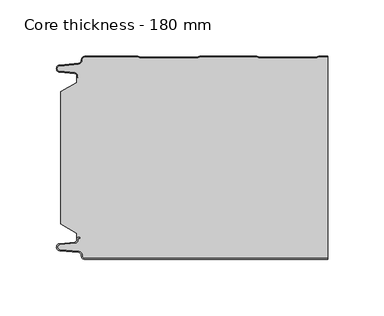
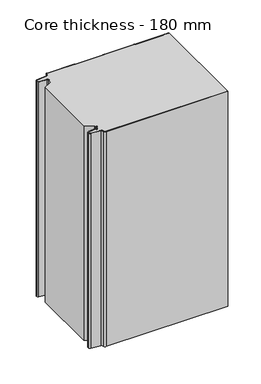
"""IFC4 building model written with IfcOpenShell, lengths in millimetres: plate geometry, Core thickness - 180 mm."""

from ifc_helpers import new_model, si_unit, frame, origin, place, context, project, spatial, polyline, circle_curve, source, transform, mapped, element, save
from ifc_brep_helpers import plane_surface, cylinder_surface, revolved_surface, advanced_brep


def core_thickness_180_mm_b9d3cbb0(model_context):
    return source(origin(), model_context, "Body", "AdvancedBrep", [
        advanced_brep(
        [(-94.8000003, -179.9996949, 0.0), (-97.9923632, -176.5787437, 0.0), (-100.2560431, -173.9171154, 0.0), (-117.2115315, -172.2546153, 0.0), (-119.9999998, -169.1776715, 0.0), (-117.2115315, -166.1007278, 0.0), (-103.6195785, -164.7680252, 0.0), (-101.9952277, -162.9766159, 0.0), (-101.9952277, -161.8996949, 0.0), (-100.5952277, -160.4996949, 0.0), (-99.4952277, -160.4996949, 0.0), (-99.4952277, -161.2996949, 0.0), (-100.5952277, -161.2996949, 0.0), (-101.1952277, -161.8996949, 0.0), (-101.1952277, -162.9766159, 0.0), (-103.5415122, -165.5642071, 0.0), (-117.1334652, -166.8969097, 0.0), (-119.1999997, -169.1776715, 0.0), (-117.1334652, -171.4584333, 0.0), (-100.1779767, -173.1209335, 0.0), (-97.2078761, -176.6330399, 0.0), (-94.8000003, -179.1996949, 0.0), (119.9999998, -179.2, 0.0), (119.9999998, -179.9996949, 0.0), (-94.8000003, -179.1996949, 400.0), (-97.1942724, -176.6339815, 400.0), (-100.1779767, -173.1209335, 400.0), (-117.1334652, -171.4584333, 400.0), (-119.1999997, -169.1776715, 400.0), (-117.1334652, -166.8969097, 400.0), (-103.5415122, -165.5642071, 400.0), (-101.1952277, -162.9766159, 400.0), (-101.1952277, -161.8996949, 400.0), (-100.5952277, -161.2996949, 400.0), (-99.4952277, -161.2996949, 400.0), (-99.4952277, -160.4996949, 400.0), (-100.5952277, -160.4996949, 400.0), (-101.9952277, -161.8996949, 400.0), (-101.9952277, -162.9766159, 400.0), (-103.6195785, -164.7680252, 400.0), (-117.2115315, -166.1007278, 400.0), (-119.9999998, -169.1776715, 400.0), (-117.2115315, -172.2546153, 400.0), (-100.2560431, -173.9171154, 400.0), (-98.0059668, -176.5778021, 400.0), (-94.8000003, -179.9996949, 400.0), (119.9999998, -179.9996949, 400.0), (119.9999998, -179.2, 400.0)],
        [
            (0, 1, circle_curve(frame((-94.8000003, -176.7996949, 0.0), z_axis=(0.0, 0.0, -1.0), x_axis=(1.0, 0.0, 0.0)), 3.2)),
            (1, 2, circle_curve(frame((-100.5000003, -176.4051839, 0.0), z_axis=(0.0, 0.0, 1.0), x_axis=(1.0, 0.0, 0.0)), 2.5)),
            (2, 3),
            (3, 4, circle_curve(frame((-116.9100003, -169.1793626, 0.0), z_axis=(0.0, 0.0, -1.0), x_axis=(1.0, 0.0, 0.0)), 3.09)),
            (4, 5, circle_curve(frame((-116.9100003, -169.1759805, 0.0), z_axis=(0.0, 0.0, -1.0), x_axis=(1.0, 0.0, 0.0)), 3.09)),
            (5, 6),
            (6, 7, circle_curve(frame((-103.7952277, -162.9766159, 0.0), z_axis=(0.0, 0.0, 1.0), x_axis=(1.0, 0.0, 0.0)), 1.8)),
            (7, 8),
            (8, 9, circle_curve(frame((-100.5952277, -161.8996949, 0.0), z_axis=(0.0, 0.0, -1.0), x_axis=(1.0, 0.0, 0.0)), 1.4)),
            (9, 10),
            (10, 11),
            (11, 12),
            (12, 13, circle_curve(frame((-100.5952277, -161.8996949, 0.0), z_axis=(0.0, 0.0, 1.0), x_axis=(1.0, 0.0, 0.0)), 0.6)),
            (13, 14),
            (14, 15, circle_curve(frame((-103.7952277, -162.9766159, 0.0), z_axis=(0.0, 0.0, -1.0), x_axis=(1.0, 0.0, 0.0)), 2.6)),
            (15, 16),
            (16, 17, circle_curve(frame((-116.9100003, -169.1759805, 0.0), z_axis=(0.0, 0.0, 1.0), x_axis=(1.0, 0.0, 0.0)), 2.29)),
            (17, 18, circle_curve(frame((-116.9100003, -169.1793626, 0.0), z_axis=(0.0, 0.0, 1.0), x_axis=(1.0, 0.0, 0.0)), 2.29)),
            (18, 19),
            (19, 20, circle_curve(frame((-100.5000003, -176.4051839, 0.0), z_axis=(0.0, 0.0, -1.0), x_axis=(1.0, 0.0, 0.0)), 3.3)),
            (20, 21, circle_curve(frame((-94.8000003, -176.7996949, 0.0), z_axis=(0.0, 0.0, 1.0), x_axis=(1.0, 0.0, 0.0)), 2.4)),
            (21, 22),
            (22, 23),
            (23, 0),
            (24, 25, circle_curve(frame((-94.8000003, -176.7996949, 400.0), z_axis=(0.0, 0.0, -1.0), x_axis=(1.0, 0.0, 0.0)), 2.4)),
            (25, 26, circle_curve(frame((-100.5000003, -176.4051839, 400.0), z_axis=(0.0, 0.0, 1.0), x_axis=(1.0, 0.0, 0.0)), 3.3)),
            (26, 27),
            (27, 28, circle_curve(frame((-116.9100003, -169.1793626, 400.0), z_axis=(0.0, 0.0, -1.0), x_axis=(1.0, 0.0, 0.0)), 2.29)),
            (28, 29, circle_curve(frame((-116.9100003, -169.1759805, 400.0), z_axis=(0.0, 0.0, -1.0), x_axis=(1.0, 0.0, 0.0)), 2.29)),
            (29, 30),
            (30, 31, circle_curve(frame((-103.7952277, -162.9766159, 400.0), z_axis=(0.0, 0.0, 1.0), x_axis=(1.0, 0.0, 0.0)), 2.6)),
            (31, 32),
            (32, 33, circle_curve(frame((-100.5952277, -161.8996949, 400.0), z_axis=(0.0, 0.0, -1.0), x_axis=(1.0, 0.0, 0.0)), 0.6)),
            (33, 34),
            (34, 35),
            (35, 36),
            (36, 37, circle_curve(frame((-100.5952277, -161.8996949, 400.0), z_axis=(0.0, 0.0, 1.0), x_axis=(1.0, 0.0, 0.0)), 1.4)),
            (37, 38),
            (38, 39, circle_curve(frame((-103.7952277, -162.9766159, 400.0), z_axis=(0.0, 0.0, -1.0), x_axis=(1.0, 0.0, 0.0)), 1.8)),
            (39, 40),
            (40, 41, circle_curve(frame((-116.9100003, -169.1759805, 400.0), z_axis=(0.0, 0.0, 1.0), x_axis=(1.0, 0.0, 0.0)), 3.09)),
            (41, 42, circle_curve(frame((-116.9100003, -169.1793626, 400.0), z_axis=(0.0, 0.0, 1.0), x_axis=(1.0, 0.0, 0.0)), 3.09)),
            (42, 43),
            (43, 44, circle_curve(frame((-100.5000003, -176.4051839, 400.0), z_axis=(0.0, 0.0, -1.0), x_axis=(1.0, 0.0, 0.0)), 2.5)),
            (44, 45, circle_curve(frame((-94.8000003, -176.7996949, 400.0), z_axis=(0.0, 0.0, 1.0), x_axis=(1.0, 0.0, 0.0)), 3.2)),
            (45, 46),
            (46, 47),
            (47, 24),
            (21, 24),
            (47, 22),
            (20, 25),
            (19, 26),
            (18, 27),
            (17, 28),
            (16, 29),
            (15, 30),
            (14, 31),
            (13, 32),
            (12, 33),
            (11, 34),
            (10, 35),
            (9, 36),
            (8, 37),
            (7, 38),
            (6, 39),
            (5, 40),
            (4, 41),
            (3, 42),
            (2, 43),
            (1, 44),
            (0, 45),
            (23, 46),
        ],
        [
            plane_surface(frame((-119.9999998, -180.0, 0.0), z_axis=(0.0, 0.0, -1.0), x_axis=(0.0, 1.0, 0.0))),
            plane_surface(frame((-119.9999998, -180.0, 400.0), z_axis=(0.0, 0.0, 1.0), x_axis=(0.0, 1.0, 0.0))),
            plane_surface(frame((-94.8000003, -179.2, 0.0), z_axis=(0.0, 1.0, 0.0), x_axis=(0.0, 0.0, 1.0))),
            revolved_surface(polyline([(-92.40000029999999, -176.7996949, 400.0), (-92.40000029999999, -176.7996949, 0.0)]), (-94.8000003, -176.7996949, 0.0), (0.0, 0.0, 1.0)),
            cylinder_surface(frame((-100.5000003, -176.4051839, 0.0), z_axis=(0.0, 0.0, -1.0), x_axis=(1.0, 0.0, 0.0)), 3.3),
            plane_surface(frame((-117.1334652, -171.4584333, 0.0), z_axis=(0.09758289975914758, 0.9952273999818314, 0.0), x_axis=(0.0, 0.0, 1.0))),
            revolved_surface(polyline([(-114.62000029999999, -169.1793626, 400.0), (-114.62000029999999, -169.1793626, 0.0)]), (-116.9100003, -169.1793626, 0.0), (0.0, 0.0, 1.0)),
            revolved_surface(polyline([(-114.62000029999999, -169.1759805, 400.0), (-114.62000029999999, -169.1759805, 0.0)]), (-116.9100003, -169.1759805, 0.0), (0.0, 0.0, 1.0)),
            plane_surface(frame((-103.5415122, -165.5642071, 0.0), z_axis=(0.09758289975914383, -0.9952273999818317, 0.0), x_axis=(0.0, 0.0, 1.0))),
            cylinder_surface(frame((-103.7952277, -162.9766159, 0.0), z_axis=(0.0, 0.0, -1.0), x_axis=(1.0, 0.0, 0.0)), 2.6),
            plane_surface(frame((-101.1952277, -161.8996949, 0.0), z_axis=(1.0, 0.0, 0.0), x_axis=(0.0, 0.0, 1.0))),
            revolved_surface(polyline([(-99.9952277, -161.8996949, 400.0), (-99.9952277, -161.8996949, 0.0)]), (-100.5952277, -161.8996949, 0.0), (0.0, 0.0, 1.0)),
            plane_surface(frame((-99.4952277, -161.2996949, 0.0), z_axis=(0.0, -1.0, 0.0), x_axis=(0.0, 0.0, 1.0))),
            plane_surface(frame((-99.4952277, -160.4996949, 0.0), z_axis=(1.0, 0.0, 0.0), x_axis=(0.0, 0.0, 1.0))),
            plane_surface(frame((-100.5952277, -160.4996949, 0.0), z_axis=(0.0, 1.0, 0.0), x_axis=(0.0, 0.0, 1.0))),
            cylinder_surface(frame((-100.5952277, -161.8996949, 0.0), z_axis=(0.0, 0.0, -1.0), x_axis=(1.0, 0.0, 0.0)), 1.4),
            plane_surface(frame((-101.9952277, -162.9766159, 0.0), z_axis=(-1.0, 0.0, 0.0), x_axis=(0.0, 0.0, 1.0))),
            revolved_surface(polyline([(-101.9952277, -162.9766159, 400.0), (-101.9952277, -162.9766159, 0.0)]), (-103.7952277, -162.9766159, 0.0), (0.0, 0.0, 1.0)),
            plane_surface(frame((-117.2115315, -166.1007278, 0.0), z_axis=(-0.09758289975914387, 0.9952273999818317, 0.0), x_axis=(0.0, 0.0, 1.0))),
            cylinder_surface(frame((-116.9100003, -169.1759805, 0.0), z_axis=(0.0, 0.0, -1.0), x_axis=(1.0, 0.0, 0.0)), 3.09),
            cylinder_surface(frame((-116.9100003, -169.1793626, 0.0), z_axis=(0.0, 0.0, -1.0), x_axis=(1.0, 0.0, 0.0)), 3.09),
            plane_surface(frame((-100.2560431, -173.9171154, 0.0), z_axis=(-0.09758289975914762, -0.9952273999818314, 0.0), x_axis=(0.0, 0.0, 1.0))),
            revolved_surface(polyline([(-98.0000003, -176.4051839, 400.0), (-98.0000003, -176.4051839, 0.0)]), (-100.5000003, -176.4051839, 0.0), (0.0, 0.0, 1.0)),
            cylinder_surface(frame((-94.8000003, -176.7996949, 0.0), z_axis=(0.0, 0.0, -1.0), x_axis=(1.0, 0.0, 0.0)), 3.2),
            plane_surface(frame((896.009932, -179.9996949, 0.0), z_axis=(0.0, -1.0, 0.0), x_axis=(0.0, 0.0, 1.0))),
            plane_surface(frame((119.9999998, 180.0, 400.0), z_axis=(1.0, 0.0, 0.0), x_axis=(0.0, 0.0, -1.0))),
        ],
        [
            (0, [[1, 2, 3, 4, 5, 6, 7, 8, 9, 10, 11, 12, 13, 14, 15, 16, 17, 18, 19, 20, 21, 22, 23, 24]]),
            (1, [[25, 26, 27, 28, 29, 30, 31, 32, 33, 34, 35, 36, 37, 38, 39, 40, 41, 42, 43, 44, 45, 46, 47, 48]]),
            (2, [[49, -48, 50, -22]]),
            (3, [[-21, 51, -25, -49]]),
            (4, [[-20, 52, -26, -51]]),
            (5, [[-19, 53, -27, -52]]),
            (6, [[-18, 54, -28, -53]]),
            (7, [[-17, 55, -29, -54]]),
            (8, [[-16, 56, -30, -55]]),
            (9, [[-15, 57, -31, -56]]),
            (10, [[-14, 58, -32, -57]]),
            (11, [[-13, 59, -33, -58]]),
            (12, [[-12, 60, -34, -59]]),
            (13, [[-11, 61, -35, -60]]),
            (14, [[-10, 62, -36, -61]]),
            (15, [[-9, 63, -37, -62]]),
            (16, [[-8, 64, -38, -63]]),
            (17, [[-7, 65, -39, -64]]),
            (18, [[-6, 66, -40, -65]]),
            (19, [[-5, 67, -41, -66]]),
            (20, [[-4, 68, -42, -67]]),
            (21, [[-3, 69, -43, -68]]),
            (22, [[-2, 70, -44, -69]]),
            (23, [[-1, 71, -45, -70]]),
            (24, [[-71, -24, 72, -46]]),
            (25, [[-23, -50, -47, -72]]),
        ],
    ),
        advanced_brep(
        [(-101.9952277, -23.1062917, 400.0), (-116.0446509, -31.1628062, 400.0), (-116.0446509, -148.7531937, 400.0), (-101.9952277, -156.8937083, 400.0), (-101.9952277, -160.4996949, 400.0), (-101.9952277, -161.8996949, 400.0), (-100.5952277, -160.4996949, 400.0), (-99.4952277, -160.4996949, 400.0), (-99.4952277, -161.2996949, 400.0), (-100.5952277, -161.2996949, 400.0), (-101.1952277, -161.8996949, 400.0), (-101.1952277, -162.9766159, 400.0), (-103.5415122, -165.5642071, 400.0), (-117.1334652, -166.8969097, 400.0), (-119.1999997, -169.1776715, 400.0), (-117.1334652, -171.4584333, 400.0), (-100.1779767, -173.1209335, 400.0), (-97.2078761, -176.6330399, 400.0), (-94.8000003, -179.1996949, 400.0), (119.9999998, -179.2, 400.0), (119.9999998, -0.8, 400.0), (112.3119565, -0.8, 400.0), (111.2605406, -1.0986697, 400.0), (109.8401597, -1.5003051, 400.0), (59.6803765, -1.5003051, 400.0), (58.2609651, -1.0971009, 400.0), (57.2085797, -0.8, 400.0), (7.0487965, -0.8, 400.0), (5.9973806, -1.0986697, 400.0), (4.5769997, -1.5003051, 400.0), (-45.5827835, -1.5003051, 400.0), (-47.0021949, -1.0971009, 400.0), (-48.0545803, -0.8, 400.0), (-94.8000003, -0.8, 400.0), (-97.1942724, -3.3660185, 400.0), (-100.1779767, -6.8790665, 400.0), (-117.1334652, -8.5415667, 400.0), (-119.1999997, -10.8223285, 400.0), (-117.1334652, -13.1030903, 400.0), (-103.5415122, -14.4357929, 400.0), (-101.1952277, -17.0233841, 400.0), (-101.1952277, -18.1003051, 400.0), (-100.5952277, -18.7003051, 400.0), (-99.4952277, -18.7003051, 400.0), (-99.4952277, -19.5003051, 400.0), (-100.5952277, -19.5003051, 400.0), (-101.9952277, -18.1003051, 400.0), (-101.9952277, -19.5003051, 400.0), (-101.9952277, -156.8937083, 0.0), (-116.0446509, -148.7531937, 0.0), (-116.0446509, -31.1628062, 0.0), (-101.9952277, -23.1062917, 0.0), (-101.9952277, -19.5003051, 0.0), (-101.9952277, -18.1003051, 0.0), (-100.5952277, -19.5003051, 0.0), (-99.4952277, -19.5003051, 0.0), (-99.4952277, -18.7003051, 0.0), (-100.5952277, -18.7003051, 0.0), (-101.1952277, -18.1003051, 0.0), (-101.1952277, -17.0233841, 0.0), (-103.5415122, -14.4357929, 0.0), (-117.1334652, -13.1030903, 0.0), (-119.1999997, -10.8223285, 0.0), (-117.1334652, -8.5415667, 0.0), (-100.1779767, -6.8790665, 0.0), (-97.2078761, -3.3669601, 0.0), (-94.8000003, -0.8003051, 0.0), (-48.0545803, -0.8, 0.0), (-47.0031645, -1.0986697, 0.0), (-45.5827835, -1.5003051, 0.0), (4.5769997, -1.5003051, 0.0), (5.9964111, -1.0971009, 0.0), (7.0487965, -0.8, 0.0), (57.2085797, -0.8, 0.0), (58.2599955, -1.0986697, 0.0), (59.6803765, -1.5003051, 0.0), (109.8401597, -1.5003051, 0.0), (111.2595711, -1.0971009, 0.0), (112.3119565, -0.8, 0.0), (119.9999998, -0.8, 0.0), (119.9999998, -179.2, 0.0), (-94.8000003, -179.2, 0.0), (-97.1942724, -176.6339815, 0.0), (-100.1779767, -173.1209335, 0.0), (-117.1334652, -171.4584333, 0.0), (-119.1999997, -169.1776715, 0.0), (-117.1334652, -166.8969097, 0.0), (-103.5415122, -165.5642071, 0.0), (-101.1952277, -162.9766159, 0.0), (-101.1952277, -161.8996949, 0.0), (-100.5952277, -161.2996949, 0.0), (-99.4952277, -161.2996949, 0.0), (-99.4952277, -160.4996949, 0.0), (-100.5952277, -160.4996949, 0.0), (-101.9952277, -161.8996949, 0.0), (-101.9952277, -160.4996949, 0.0)],
        [
            (0, 1),
            (1, 2),
            (2, 3),
            (3, 4),
            (4, 5),
            (5, 6, circle_curve(frame((-100.5952277, -161.8996949, 400.0), z_axis=(0.0, 0.0, -1.0), x_axis=(1.0, 0.0, 0.0)), 1.4)),
            (6, 7),
            (7, 8),
            (8, 9),
            (9, 10, circle_curve(frame((-100.5952277, -161.8996949, 400.0), z_axis=(0.0, 0.0, 1.0), x_axis=(1.0, 0.0, 0.0)), 0.6)),
            (10, 11),
            (11, 12, circle_curve(frame((-103.7952277, -162.9766159, 400.0), z_axis=(0.0, 0.0, -1.0), x_axis=(1.0, 0.0, 0.0)), 2.6)),
            (12, 13),
            (13, 14, circle_curve(frame((-116.9100003, -169.1759805, 400.0), z_axis=(0.0, 0.0, 1.0), x_axis=(1.0, 0.0, 0.0)), 2.29)),
            (14, 15, circle_curve(frame((-116.9100003, -169.1793626, 400.0), z_axis=(0.0, 0.0, 1.0), x_axis=(1.0, 0.0, 0.0)), 2.29)),
            (15, 16),
            (16, 17, circle_curve(frame((-100.5000003, -176.4051839, 400.0), z_axis=(0.0, 0.0, -1.0), x_axis=(1.0, 0.0, 0.0)), 3.3)),
            (17, 18, circle_curve(frame((-94.8000003, -176.7996949, 400.0), z_axis=(0.0, 0.0, 1.0), x_axis=(1.0, 0.0, 0.0)), 2.4)),
            (18, 19),
            (19, 20),
            (20, 21),
            (21, 22, circle_curve(frame((112.3119565, -2.8, 400.0), z_axis=(0.0, 0.0, 1.0), x_axis=(1.0, 0.0, 0.0)), 2.0)),
            (22, 23, circle_curve(frame((109.8401597, 1.1996949, 400.0), z_axis=(0.0, 0.0, -1.0), x_axis=(1.0, 0.0, 0.0)), 2.7)),
            (23, 24),
            (24, 25, circle_curve(frame((59.6803765, 1.1996949, 400.0), z_axis=(0.0, 0.0, -1.0), x_axis=(1.0, 0.0, 0.0)), 2.7)),
            (25, 26, circle_curve(frame((57.2085797, -2.8, 400.0), z_axis=(0.0, 0.0, 1.0), x_axis=(1.0, 0.0, 0.0)), 2.0)),
            (26, 27),
            (27, 28, circle_curve(frame((7.0487965, -2.8, 400.0), z_axis=(0.0, 0.0, 1.0), x_axis=(1.0, 0.0, 0.0)), 2.0)),
            (28, 29, circle_curve(frame((4.5769997, 1.1996949, 400.0), z_axis=(0.0, 0.0, -1.0), x_axis=(1.0, 0.0, 0.0)), 2.7)),
            (29, 30),
            (30, 31, circle_curve(frame((-45.5827835, 1.1996949, 400.0), z_axis=(0.0, 0.0, -1.0), x_axis=(1.0, 0.0, 0.0)), 2.7)),
            (31, 32, circle_curve(frame((-48.0545803, -2.8, 400.0), z_axis=(0.0, 0.0, 1.0), x_axis=(1.0, 0.0, 0.0)), 2.0)),
            (32, 33),
            (33, 34, circle_curve(frame((-94.8000003, -3.2003051, 400.0), z_axis=(0.0, 0.0, 1.0), x_axis=(1.0, 0.0, 0.0)), 2.4)),
            (34, 35, circle_curve(frame((-100.5000003, -3.5948161, 400.0), z_axis=(0.0, 0.0, -1.0), x_axis=(1.0, 0.0, 0.0)), 3.3)),
            (35, 36),
            (36, 37, circle_curve(frame((-116.9100003, -10.8206374, 400.0), z_axis=(0.0, 0.0, 1.0), x_axis=(1.0, 0.0, 0.0)), 2.29)),
            (37, 38, circle_curve(frame((-116.9100003, -10.8240195, 400.0), z_axis=(0.0, 0.0, 1.0), x_axis=(1.0, 0.0, 0.0)), 2.29)),
            (38, 39),
            (39, 40, circle_curve(frame((-103.7952277, -17.0233841, 400.0), z_axis=(0.0, 0.0, -1.0), x_axis=(1.0, 0.0, 0.0)), 2.6)),
            (40, 41),
            (41, 42, circle_curve(frame((-100.5952277, -18.1003051, 400.0), z_axis=(0.0, 0.0, 1.0), x_axis=(1.0, 0.0, 0.0)), 0.6)),
            (42, 43),
            (43, 44),
            (44, 45),
            (45, 46, circle_curve(frame((-100.5952277, -18.1003051, 400.0), z_axis=(0.0, 0.0, -1.0), x_axis=(1.0, 0.0, 0.0)), 1.4)),
            (46, 47),
            (47, 0),
            (48, 49),
            (49, 50),
            (50, 51),
            (51, 52),
            (52, 53),
            (53, 54, circle_curve(frame((-100.5952277, -18.1003051, 0.0), z_axis=(0.0, 0.0, 1.0), x_axis=(1.0, 0.0, 0.0)), 1.4)),
            (54, 55),
            (55, 56),
            (56, 57),
            (57, 58, circle_curve(frame((-100.5952277, -18.1003051, 0.0), z_axis=(0.0, 0.0, -1.0), x_axis=(1.0, 0.0, 0.0)), 0.6)),
            (58, 59),
            (59, 60, circle_curve(frame((-103.7952277, -17.0233841, 0.0), z_axis=(0.0, 0.0, 1.0), x_axis=(1.0, 0.0, 0.0)), 2.6)),
            (60, 61),
            (61, 62, circle_curve(frame((-116.9100003, -10.8240195, 0.0), z_axis=(0.0, 0.0, -1.0), x_axis=(1.0, 0.0, 0.0)), 2.29)),
            (62, 63, circle_curve(frame((-116.9100003, -10.8206374, 0.0), z_axis=(0.0, 0.0, -1.0), x_axis=(1.0, 0.0, 0.0)), 2.29)),
            (63, 64),
            (64, 65, circle_curve(frame((-100.5000003, -3.5948161, 0.0), z_axis=(0.0, 0.0, 1.0), x_axis=(1.0, 0.0, 0.0)), 3.3)),
            (65, 66, circle_curve(frame((-94.8000003, -3.2003051, 0.0), z_axis=(0.0, 0.0, -1.0), x_axis=(1.0, 0.0, 0.0)), 2.4)),
            (66, 67),
            (67, 68, circle_curve(frame((-48.0545803, -2.8, 0.0), z_axis=(0.0, 0.0, -1.0), x_axis=(1.0, 0.0, 0.0)), 2.0)),
            (68, 69, circle_curve(frame((-45.5827835, 1.1996949, 0.0), z_axis=(0.0, 0.0, 1.0), x_axis=(1.0, 0.0, 0.0)), 2.7)),
            (69, 70),
            (70, 71, circle_curve(frame((4.5769997, 1.1996949, 0.0), z_axis=(0.0, 0.0, 1.0), x_axis=(1.0, 0.0, 0.0)), 2.7)),
            (71, 72, circle_curve(frame((7.0487965, -2.8, 0.0), z_axis=(0.0, 0.0, -1.0), x_axis=(1.0, 0.0, 0.0)), 2.0)),
            (72, 73),
            (73, 74, circle_curve(frame((57.2085797, -2.8, 0.0), z_axis=(0.0, 0.0, -1.0), x_axis=(1.0, 0.0, 0.0)), 2.0)),
            (74, 75, circle_curve(frame((59.6803765, 1.1996949, 0.0), z_axis=(0.0, 0.0, 1.0), x_axis=(1.0, 0.0, 0.0)), 2.7)),
            (75, 76),
            (76, 77, circle_curve(frame((109.8401597, 1.1996949, 0.0), z_axis=(0.0, 0.0, 1.0), x_axis=(1.0, 0.0, 0.0)), 2.7)),
            (77, 78, circle_curve(frame((112.3119565, -2.8, 0.0), z_axis=(0.0, 0.0, -1.0), x_axis=(1.0, 0.0, 0.0)), 2.0)),
            (78, 79),
            (79, 80),
            (80, 81),
            (81, 82, circle_curve(frame((-94.8000003, -176.7996949, 0.0), z_axis=(0.0, 0.0, -1.0), x_axis=(1.0, 0.0, 0.0)), 2.4)),
            (82, 83, circle_curve(frame((-100.5000003, -176.4051839, 0.0), z_axis=(0.0, 0.0, 1.0), x_axis=(1.0, 0.0, 0.0)), 3.3)),
            (83, 84),
            (84, 85, circle_curve(frame((-116.9100003, -169.1793626, 0.0), z_axis=(0.0, 0.0, -1.0), x_axis=(1.0, 0.0, 0.0)), 2.29)),
            (85, 86, circle_curve(frame((-116.9100003, -169.1759805, 0.0), z_axis=(0.0, 0.0, -1.0), x_axis=(1.0, 0.0, 0.0)), 2.29)),
            (86, 87),
            (87, 88, circle_curve(frame((-103.7952277, -162.9766159, 0.0), z_axis=(0.0, 0.0, 1.0), x_axis=(1.0, 0.0, 0.0)), 2.6)),
            (88, 89),
            (89, 90, circle_curve(frame((-100.5952277, -161.8996949, 0.0), z_axis=(0.0, 0.0, -1.0), x_axis=(1.0, 0.0, 0.0)), 0.6)),
            (90, 91),
            (91, 92),
            (92, 93),
            (93, 94, circle_curve(frame((-100.5952277, -161.8996949, 0.0), z_axis=(0.0, 0.0, 1.0), x_axis=(1.0, 0.0, 0.0)), 1.4)),
            (94, 95),
            (95, 48),
            (51, 0),
            (46, 53),
            (1, 50),
            (49, 2),
            (48, 3),
            (94, 5),
            (18, 81),
            (80, 19),
            (17, 82),
            (16, 83),
            (15, 84),
            (14, 85),
            (13, 86),
            (12, 87),
            (11, 88),
            (10, 89),
            (9, 90),
            (8, 91),
            (7, 92),
            (6, 93),
            (66, 33),
            (32, 67),
            (31, 68),
            (30, 69),
            (29, 70),
            (28, 71),
            (27, 72),
            (26, 73),
            (25, 74),
            (24, 75),
            (23, 76),
            (22, 77),
            (21, 78),
            (20, 79),
            (45, 54),
            (44, 55),
            (43, 56),
            (42, 57),
            (41, 58),
            (40, 59),
            (39, 60),
            (38, 61),
            (37, 62),
            (36, 63),
            (35, 64),
            (34, 65),
        ],
        [
            plane_surface(frame((-119.9999998, 0.0, 400.0), z_axis=(0.0, 0.0, 1.0), x_axis=(0.0, -1.0, 0.0))),
            plane_surface(frame((-119.9999998, 0.0, 0.0), z_axis=(0.0, 0.0, -1.0), x_axis=(0.0, -1.0, 0.0))),
            plane_surface(frame((-101.9952277, -17.0229218, 400.0), z_axis=(-1.0, 0.0, 0.0), x_axis=(0.0, 0.0, -1.0))),
            plane_surface(frame((-116.0446509, -31.1628062, 400.0), z_axis=(-1.0, 0.0, 0.0), x_axis=(0.0, 0.0, -1.0))),
            plane_surface(frame((-101.9952277, -23.1062917, 400.0), z_axis=(-0.4974543664933155, 0.8674901459133322, 0.0), x_axis=(0.0, 0.0, -1.0))),
            plane_surface(frame((-116.0446509, -148.7531937, 400.0), z_axis=(-0.5013424225369599, -0.8652489672717169, 0.0), x_axis=(0.0, 0.0, -1.0))),
            plane_surface(frame((-101.9952277, -156.8937083, 400.0), z_axis=(-1.0, 0.0, 0.0), x_axis=(0.0, 0.0, -1.0))),
            plane_surface(frame((896.009932, -179.2, 530.0), z_axis=(0.0, -1.0, 0.0), x_axis=(0.0, 0.0, -1.0))),
            cylinder_surface(frame((-94.8000003, -176.7996949, 530.0), z_axis=(0.0, 0.0, -1.0), x_axis=(1.0, 0.0, 0.0)), 2.4),
            revolved_surface(polyline([(-97.2000003, -176.4051839, 400.0), (-97.2000003, -176.4051839, 0.0)]), (-100.5000003, -176.4051839, 530.0), (0.0, 0.0, 1.0)),
            plane_surface(frame((-100.1779767, -173.1209335, 530.0), z_axis=(-0.09758289975914758, -0.9952273999818314, 0.0), x_axis=(0.0, 0.0, -1.0))),
            cylinder_surface(frame((-116.9100003, -169.1793626, 530.0), z_axis=(0.0, 0.0, -1.0), x_axis=(1.0, 0.0, 0.0)), 2.29),
            cylinder_surface(frame((-116.9100003, -169.1759805, 530.0), z_axis=(0.0, 0.0, -1.0), x_axis=(1.0, 0.0, 0.0)), 2.29),
            plane_surface(frame((-117.1334652, -166.8969097, 530.0), z_axis=(-0.09758289975914383, 0.9952273999818317, 0.0), x_axis=(0.0, 0.0, -1.0))),
            revolved_surface(polyline([(-101.1952277, -162.9766159, 400.0), (-101.1952277, -162.9766159, 0.0)]), (-103.7952277, -162.9766159, 530.0), (0.0, 0.0, 1.0)),
            plane_surface(frame((-101.1952277, -162.9766159, 530.0), z_axis=(-1.0, 0.0, 0.0), x_axis=(0.0, 0.0, -1.0))),
            cylinder_surface(frame((-100.5952277, -161.8996949, 530.0), z_axis=(0.0, 0.0, -1.0), x_axis=(1.0, 0.0, 0.0)), 0.6),
            plane_surface(frame((-100.5952277, -161.2996949, 530.0), z_axis=(0.0, 1.0, 0.0), x_axis=(0.0, 0.0, -1.0))),
            plane_surface(frame((-99.4952277, -161.2996949, 530.0), z_axis=(-1.0, 0.0, 0.0), x_axis=(0.0, 0.0, -1.0))),
            plane_surface(frame((-99.4952277, -160.4996949, 530.0), z_axis=(0.0, -1.0, 0.0), x_axis=(0.0, 0.0, -1.0))),
            revolved_surface(polyline([(-99.19522769999999, -161.8996949, 400.0), (-99.19522769999999, -161.8996949, 0.0)]), (-100.5952277, -161.8996949, 530.0), (0.0, 0.0, 1.0)),
            plane_surface(frame((-94.8000003, -0.8, 530.0), z_axis=(0.0, 1.0, 0.0), x_axis=(0.0, 0.0, -1.0))),
            cylinder_surface(frame((-48.0545803, -2.8, 530.0), z_axis=(0.0, 0.0, -1.0), x_axis=(1.0, 0.0, 0.0)), 2.0),
            revolved_surface(polyline([(-42.882783499999995, 1.1996949, 400.0), (-42.882783499999995, 1.1996949, 0.0)]), (-45.5827835, 1.1996949, 530.0), (0.0, 0.0, 1.0)),
            plane_surface(frame((-45.5827835, -1.5003051, 530.0), z_axis=(0.0, 1.0, 0.0), x_axis=(0.0, 0.0, -1.0))),
            revolved_surface(polyline([(7.2769997, 1.1996949, 400.0), (7.2769997, 1.1996949, 0.0)]), (4.5769997, 1.1996949, 530.0), (0.0, 0.0, 1.0)),
            cylinder_surface(frame((7.0487965, -2.8, 530.0), z_axis=(0.0, 0.0, -1.0), x_axis=(1.0, 0.0, 0.0)), 2.0),
            plane_surface(frame((7.0487965, -0.8, 530.0), z_axis=(0.0, 1.0, 0.0), x_axis=(0.0, 0.0, -1.0))),
            cylinder_surface(frame((57.2085797, -2.8, 530.0), z_axis=(0.0, 0.0, -1.0), x_axis=(1.0, 0.0, 0.0)), 2.0),
            revolved_surface(polyline([(62.380376500000004, 1.1996949, 400.0), (62.380376500000004, 1.1996949, 0.0)]), (59.6803765, 1.1996949, 530.0), (0.0, 0.0, 1.0)),
            plane_surface(frame((59.6803765, -1.5003051, 530.0), z_axis=(0.0, 1.0, 0.0), x_axis=(0.0, 0.0, -1.0))),
            revolved_surface(polyline([(112.5401597, 1.1996949, 400.0), (112.5401597, 1.1996949, 0.0)]), (109.8401597, 1.1996949, 530.0), (0.0, 0.0, 1.0)),
            cylinder_surface(frame((112.3119565, -2.8, 530.0), z_axis=(0.0, 0.0, -1.0), x_axis=(1.0, 0.0, 0.0)), 2.0),
            plane_surface(frame((112.3119565, -0.8, 530.0), z_axis=(0.0, 1.0, 0.0), x_axis=(0.0, 0.0, -1.0))),
            revolved_surface(polyline([(-99.19522769999999, -18.1003051, 400.0), (-99.19522769999999, -18.1003051, 0.0)]), (-100.5952277, -18.1003051, 530.0), (0.0, 0.0, 1.0)),
            plane_surface(frame((-100.5952277, -19.5003051, 530.0), z_axis=(0.0, 1.0, 0.0), x_axis=(0.0, 0.0, -1.0))),
            plane_surface(frame((-99.4952277, -19.5003051, 530.0), z_axis=(-1.0, 0.0, 0.0), x_axis=(0.0, 0.0, -1.0))),
            plane_surface(frame((-99.4952277, -18.7003051, 530.0), z_axis=(0.0, -1.0, 0.0), x_axis=(0.0, 0.0, -1.0))),
            cylinder_surface(frame((-100.5952277, -18.1003051, 530.0), z_axis=(0.0, 0.0, -1.0), x_axis=(1.0, 0.0, 0.0)), 0.6),
            plane_surface(frame((-101.1952277, -18.1003051, 530.0), z_axis=(-1.0, 0.0, 0.0), x_axis=(0.0, 0.0, -1.0))),
            revolved_surface(polyline([(-101.1952277, -17.0233841, 400.0), (-101.1952277, -17.0233841, 0.0)]), (-103.7952277, -17.0233841, 530.0), (0.0, 0.0, 1.0)),
            plane_surface(frame((-103.5415122, -14.4357929, 530.0), z_axis=(-0.09758289975914705, -0.9952273999818314, 0.0), x_axis=(0.0, 0.0, -1.0))),
            cylinder_surface(frame((-116.9100003, -10.8240195, 530.0), z_axis=(0.0, 0.0, -1.0), x_axis=(1.0, 0.0, 0.0)), 2.29),
            cylinder_surface(frame((-116.9100003, -10.8206374, 530.0), z_axis=(0.0, 0.0, -1.0), x_axis=(1.0, 0.0, 0.0)), 2.29),
            plane_surface(frame((-117.1334652, -8.5415667, 530.0), z_axis=(-0.09758289975914436, 0.9952273999818317, 0.0), x_axis=(0.0, 0.0, -1.0))),
            revolved_surface(polyline([(-97.2000003, -3.5948161, 400.0), (-97.2000003, -3.5948161, 0.0)]), (-100.5000003, -3.5948161, 530.0), (0.0, 0.0, 1.0)),
            cylinder_surface(frame((-94.8000003, -3.2003051, 530.0), z_axis=(0.0, 0.0, -1.0), x_axis=(1.0, 0.0, 0.0)), 2.4),
            plane_surface(frame((119.9999998, 180.0, 400.0), z_axis=(1.0, 0.0, 0.0), x_axis=(0.0, 0.0, -1.0))),
        ],
        [
            (0, [[1, 2, 3, 4, 5, 6, 7, 8, 9, 10, 11, 12, 13, 14, 15, 16, 17, 18, 19, 20, 21, 22, 23, 24, 25, 26, 27, 28, 29, 30, 31, 32, 33, 34, 35, 36, 37, 38, 39, 40, 41, 42, 43, 44, 45, 46, 47, 48]]),
            (1, [[49, 50, 51, 52, 53, 54, 55, 56, 57, 58, 59, 60, 61, 62, 63, 64, 65, 66, 67, 68, 69, 70, 71, 72, 73, 74, 75, 76, 77, 78, 79, 80, 81, 82, 83, 84, 85, 86, 87, 88, 89, 90, 91, 92, 93, 94, 95, 96]]),
            (2, [[97, -48, -47, 98, -53, -52]]),
            (3, [[-2, 99, -50, 100]]),
            (4, [[-1, -97, -51, -99]]),
            (5, [[-3, -100, -49, 101]]),
            (6, [[-101, -96, -95, 102, -5, -4]]),
            (7, [[103, -81, 104, -19]]),
            (8, [[-103, -18, 105, -82]]),
            (9, [[-105, -17, 106, -83]]),
            (10, [[-106, -16, 107, -84]]),
            (11, [[-107, -15, 108, -85]]),
            (12, [[-108, -14, 109, -86]]),
            (13, [[-109, -13, 110, -87]]),
            (14, [[-110, -12, 111, -88]]),
            (15, [[-111, -11, 112, -89]]),
            (16, [[-112, -10, 113, -90]]),
            (17, [[-113, -9, 114, -91]]),
            (18, [[-114, -8, 115, -92]]),
            (19, [[-115, -7, 116, -93]]),
            (20, [[-116, -6, -102, -94]]),
            (21, [[117, -33, 118, -67]]),
            (22, [[-118, -32, 119, -68]]),
            (23, [[-119, -31, 120, -69]]),
            (24, [[-120, -30, 121, -70]]),
            (25, [[-121, -29, 122, -71]]),
            (26, [[-122, -28, 123, -72]]),
            (27, [[-123, -27, 124, -73]]),
            (28, [[-124, -26, 125, -74]]),
            (29, [[-125, -25, 126, -75]]),
            (30, [[-126, -24, 127, -76]]),
            (31, [[-127, -23, 128, -77]]),
            (32, [[-128, -22, 129, -78]]),
            (33, [[-129, -21, 130, -79]]),
            (34, [[131, -54, -98, -46]]),
            (35, [[-131, -45, 132, -55]]),
            (36, [[-132, -44, 133, -56]]),
            (37, [[-133, -43, 134, -57]]),
            (38, [[-134, -42, 135, -58]]),
            (39, [[-135, -41, 136, -59]]),
            (40, [[-136, -40, 137, -60]]),
            (41, [[-137, -39, 138, -61]]),
            (42, [[-138, -38, 139, -62]]),
            (43, [[-139, -37, 140, -63]]),
            (44, [[-140, -36, 141, -64]]),
            (45, [[-141, -35, 142, -65]]),
            (46, [[-117, -66, -142, -34]]),
            (47, [[-104, -80, -130, -20]]),
        ],
    ),
        advanced_brep(
        [(-47.0031645, -1.0986697, 0.0), (-48.0545803, -0.8, 0.0), (-94.8000003, -0.8, 0.0), (-97.1942724, -3.3660185, 0.0), (-100.1779767, -6.8790665, 0.0), (-117.1334652, -8.5415667, 0.0), (-119.1999997, -10.8223285, 0.0), (-117.1334652, -13.1030903, 0.0), (-103.5415122, -14.4357929, 0.0), (-101.1952277, -17.0233841, 0.0), (-101.1952277, -18.1003051, 0.0), (-100.5952277, -18.7003051, 0.0), (-99.4952277, -18.7003051, 0.0), (-99.4952277, -19.5003051, 0.0), (-100.5952277, -19.5003051, 0.0), (-101.9952277, -18.1003051, 0.0), (-101.9952277, -17.0233841, 0.0), (-103.6195785, -15.2319748, 0.0), (-117.2115315, -13.8992722, 0.0), (-119.9999998, -10.8223285, 0.0), (-117.2115315, -7.7453847, 0.0), (-100.2560431, -6.0828846, 0.0), (-98.0059668, -3.4221979, 0.0), (-94.8000003, -0.0003051, 0.0), (-48.0545803, -0.0003051, 0.0), (-46.6352472, -0.4034608, 0.0), (-45.5827835, -0.7003051, 0.0), (4.5769997, -0.7003051, 0.0), (5.6283575, -0.4016712, 0.0), (7.0487965, -0.0003051, 0.0), (57.2085797, -0.0003051, 0.0), (58.6279128, -0.4034608, 0.0), (59.6803765, -0.7003051, 0.0), (109.8401597, -0.7003051, 0.0), (110.8915175, -0.4016712, 0.0), (112.3119565, -0.0003051, 0.0), (119.9999998, -0.0003051, 0.0), (119.9999998, -0.8, 0.0), (112.3119565, -0.8, 0.0), (111.2605406, -1.0986697, 0.0), (109.8401597, -1.5003051, 0.0), (59.6803765, -1.5003051, 0.0), (58.2609651, -1.0971009, 0.0), (57.2085797, -0.8, 0.0), (7.0487965, -0.8, 0.0), (5.9973806, -1.0986697, 0.0), (4.5769997, -1.5003051, 0.0), (-45.5827835, -1.5003051, 0.0), (-47.0021949, -1.0971009, 400.0), (-45.5827835, -1.5003051, 400.0), (4.5769997, -1.5003051, 400.0), (5.9964111, -1.0971009, 400.0), (7.0487965, -0.8, 400.0), (57.2085797, -0.8, 400.0), (58.2599955, -1.0986697, 400.0), (59.6803765, -1.5003051, 400.0), (109.8401597, -1.5003051, 400.0), (111.2595711, -1.0971009, 400.0), (112.3119565, -0.8, 400.0), (119.9999998, -0.8, 400.0), (119.9999998, -0.0003051, 400.0), (112.3119565, -0.0003051, 400.0), (110.8926234, -0.4034608, 400.0), (109.8401597, -0.7003051, 400.0), (59.6803765, -0.7003051, 400.0), (58.6290186, -0.4016712, 400.0), (57.2085797, -0.0003051, 400.0), (7.0487965, -0.0003051, 400.0), (5.6294634, -0.4034608, 400.0), (4.5769997, -0.7003051, 400.0), (-45.5827835, -0.7003051, 400.0), (-46.6341414, -0.4016712, 400.0), (-48.0545803, -0.0003051, 400.0), (-94.8000003, -0.0003051, 400.0), (-97.9923632, -3.4212563, 400.0), (-100.2560431, -6.0828846, 400.0), (-117.2115315, -7.7453847, 400.0), (-119.9999998, -10.8223285, 400.0), (-117.2115315, -13.8992722, 400.0), (-103.6195785, -15.2319748, 400.0), (-101.9952277, -17.0233841, 400.0), (-101.9952277, -18.1003051, 400.0), (-100.5952277, -19.5003051, 400.0), (-99.4952277, -19.5003051, 400.0), (-99.4952277, -18.7003051, 400.0), (-100.5952277, -18.7003051, 400.0), (-101.1952277, -18.1003051, 400.0), (-101.1952277, -17.0233841, 400.0), (-103.5415122, -14.4357929, 400.0), (-117.1334652, -13.1030903, 400.0), (-119.1999997, -10.8223285, 400.0), (-117.1334652, -8.5415667, 400.0), (-100.1779767, -6.8790665, 400.0), (-97.2078761, -3.3669601, 400.0), (-94.8000003, -0.8003051, 400.0), (-48.0545803, -0.8, 400.0)],
        [
            (0, 1, circle_curve(frame((-48.0545803, -2.8, 0.0), z_axis=(0.0, 0.0, 1.0), x_axis=(1.0, 0.0, 0.0)), 2.0)),
            (1, 2),
            (2, 3, circle_curve(frame((-94.8000003, -3.2003051, 0.0), z_axis=(0.0, 0.0, 1.0), x_axis=(1.0, 0.0, 0.0)), 2.4)),
            (3, 4, circle_curve(frame((-100.5000003, -3.5948161, 0.0), z_axis=(0.0, 0.0, -1.0), x_axis=(1.0, 0.0, 0.0)), 3.3)),
            (4, 5),
            (5, 6, circle_curve(frame((-116.9100003, -10.8206374, 0.0), z_axis=(0.0, 0.0, 1.0), x_axis=(1.0, 0.0, 0.0)), 2.29)),
            (6, 7, circle_curve(frame((-116.9100003, -10.8240195, 0.0), z_axis=(0.0, 0.0, 1.0), x_axis=(1.0, 0.0, 0.0)), 2.29)),
            (7, 8),
            (8, 9, circle_curve(frame((-103.7952277, -17.0233841, 0.0), z_axis=(0.0, 0.0, -1.0), x_axis=(1.0, 0.0, 0.0)), 2.6)),
            (9, 10),
            (10, 11, circle_curve(frame((-100.5952277, -18.1003051, 0.0), z_axis=(0.0, 0.0, 1.0), x_axis=(1.0, 0.0, 0.0)), 0.6)),
            (11, 12),
            (12, 13),
            (13, 14),
            (14, 15, circle_curve(frame((-100.5952277, -18.1003051, 0.0), z_axis=(0.0, 0.0, -1.0), x_axis=(1.0, 0.0, 0.0)), 1.4)),
            (15, 16),
            (16, 17, circle_curve(frame((-103.7952277, -17.0233841, 0.0), z_axis=(0.0, 0.0, 1.0), x_axis=(1.0, 0.0, 0.0)), 1.8)),
            (17, 18),
            (18, 19, circle_curve(frame((-116.9100003, -10.8240195, 0.0), z_axis=(0.0, 0.0, -1.0), x_axis=(1.0, 0.0, 0.0)), 3.09)),
            (19, 20, circle_curve(frame((-116.9100003, -10.8206374, 0.0), z_axis=(0.0, 0.0, -1.0), x_axis=(1.0, 0.0, 0.0)), 3.09)),
            (20, 21),
            (21, 22, circle_curve(frame((-100.5000003, -3.5948161, 0.0), z_axis=(0.0, 0.0, 1.0), x_axis=(1.0, 0.0, 0.0)), 2.5)),
            (22, 23, circle_curve(frame((-94.8000003, -3.2003051, 0.0), z_axis=(0.0, 0.0, -1.0), x_axis=(1.0, 0.0, 0.0)), 3.2)),
            (23, 24),
            (24, 25, circle_curve(frame((-48.0545803, -2.7003051, 0.0), z_axis=(0.0, 0.0, -1.0), x_axis=(1.0, 0.0, 0.0)), 2.7)),
            (25, 26, circle_curve(frame((-45.5827835, 1.2996949, 0.0), z_axis=(0.0, 0.0, 1.0), x_axis=(1.0, 0.0, 0.0)), 2.0)),
            (26, 27),
            (27, 28, circle_curve(frame((4.5769997, 1.2996949, 0.0), z_axis=(0.0, 0.0, 1.0), x_axis=(1.0, 0.0, 0.0)), 2.0)),
            (28, 29, circle_curve(frame((7.0487965, -2.7003051, 0.0), z_axis=(0.0, 0.0, -1.0), x_axis=(1.0, 0.0, 0.0)), 2.7)),
            (29, 30),
            (30, 31, circle_curve(frame((57.2085797, -2.7003051, 0.0), z_axis=(0.0, 0.0, -1.0), x_axis=(1.0, 0.0, 0.0)), 2.7)),
            (31, 32, circle_curve(frame((59.6803765, 1.2996949, 0.0), z_axis=(0.0, 0.0, 1.0), x_axis=(1.0, 0.0, 0.0)), 2.0)),
            (32, 33),
            (33, 34, circle_curve(frame((109.8401597, 1.2996949, 0.0), z_axis=(0.0, 0.0, 1.0), x_axis=(1.0, 0.0, 0.0)), 2.0)),
            (34, 35, circle_curve(frame((112.3119565, -2.7003051, 0.0), z_axis=(0.0, 0.0, -1.0), x_axis=(1.0, 0.0, 0.0)), 2.7)),
            (35, 36),
            (36, 37),
            (37, 38),
            (38, 39, circle_curve(frame((112.3119565, -2.8, 0.0), z_axis=(0.0, 0.0, 1.0), x_axis=(1.0, 0.0, 0.0)), 2.0)),
            (39, 40, circle_curve(frame((109.8401597, 1.1996949, 0.0), z_axis=(0.0, 0.0, -1.0), x_axis=(1.0, 0.0, 0.0)), 2.7)),
            (40, 41),
            (41, 42, circle_curve(frame((59.6803765, 1.1996949, 0.0), z_axis=(0.0, 0.0, -1.0), x_axis=(1.0, 0.0, 0.0)), 2.7)),
            (42, 43, circle_curve(frame((57.2085797, -2.8, 0.0), z_axis=(0.0, 0.0, 1.0), x_axis=(1.0, 0.0, 0.0)), 2.0)),
            (43, 44),
            (44, 45, circle_curve(frame((7.0487965, -2.8, 0.0), z_axis=(0.0, 0.0, 1.0), x_axis=(1.0, 0.0, 0.0)), 2.0)),
            (45, 46, circle_curve(frame((4.5769997, 1.1996949, 0.0), z_axis=(0.0, 0.0, -1.0), x_axis=(1.0, 0.0, 0.0)), 2.7)),
            (46, 47),
            (47, 0, circle_curve(frame((-45.5827835, 1.1996949, 0.0), z_axis=(0.0, 0.0, -1.0), x_axis=(1.0, 0.0, 0.0)), 2.7)),
            (48, 49, circle_curve(frame((-45.5827835, 1.1996949, 400.0), z_axis=(0.0, 0.0, 1.0), x_axis=(1.0, 0.0, 0.0)), 2.7)),
            (49, 50),
            (50, 51, circle_curve(frame((4.5769997, 1.1996949, 400.0), z_axis=(0.0, 0.0, 1.0), x_axis=(1.0, 0.0, 0.0)), 2.7)),
            (51, 52, circle_curve(frame((7.0487965, -2.8, 400.0), z_axis=(0.0, 0.0, -1.0), x_axis=(1.0, 0.0, 0.0)), 2.0)),
            (52, 53),
            (53, 54, circle_curve(frame((57.2085797, -2.8, 400.0), z_axis=(0.0, 0.0, -1.0), x_axis=(1.0, 0.0, 0.0)), 2.0)),
            (54, 55, circle_curve(frame((59.6803765, 1.1996949, 400.0), z_axis=(0.0, 0.0, 1.0), x_axis=(1.0, 0.0, 0.0)), 2.7)),
            (55, 56),
            (56, 57, circle_curve(frame((109.8401597, 1.1996949, 400.0), z_axis=(0.0, 0.0, 1.0), x_axis=(1.0, 0.0, 0.0)), 2.7)),
            (57, 58, circle_curve(frame((112.3119565, -2.8, 400.0), z_axis=(0.0, 0.0, -1.0), x_axis=(1.0, 0.0, 0.0)), 2.0)),
            (58, 59),
            (59, 60),
            (60, 61),
            (61, 62, circle_curve(frame((112.3119565, -2.7003051, 400.0), z_axis=(0.0, 0.0, 1.0), x_axis=(1.0, 0.0, 0.0)), 2.7)),
            (62, 63, circle_curve(frame((109.8401597, 1.2996949, 400.0), z_axis=(0.0, 0.0, -1.0), x_axis=(1.0, 0.0, 0.0)), 2.0)),
            (63, 64),
            (64, 65, circle_curve(frame((59.6803765, 1.2996949, 400.0), z_axis=(0.0, 0.0, -1.0), x_axis=(1.0, 0.0, 0.0)), 2.0)),
            (65, 66, circle_curve(frame((57.2085797, -2.7003051, 400.0), z_axis=(0.0, 0.0, 1.0), x_axis=(1.0, 0.0, 0.0)), 2.7)),
            (66, 67),
            (67, 68, circle_curve(frame((7.0487965, -2.7003051, 400.0), z_axis=(0.0, 0.0, 1.0), x_axis=(1.0, 0.0, 0.0)), 2.7)),
            (68, 69, circle_curve(frame((4.5769997, 1.2996949, 400.0), z_axis=(0.0, 0.0, -1.0), x_axis=(1.0, 0.0, 0.0)), 2.0)),
            (69, 70),
            (70, 71, circle_curve(frame((-45.5827835, 1.2996949, 400.0), z_axis=(0.0, 0.0, -1.0), x_axis=(1.0, 0.0, 0.0)), 2.0)),
            (71, 72, circle_curve(frame((-48.0545803, -2.7003051, 400.0), z_axis=(0.0, 0.0, 1.0), x_axis=(1.0, 0.0, 0.0)), 2.7)),
            (72, 73),
            (73, 74, circle_curve(frame((-94.8000003, -3.2003051, 400.0), z_axis=(0.0, 0.0, 1.0), x_axis=(1.0, 0.0, 0.0)), 3.2)),
            (74, 75, circle_curve(frame((-100.5000003, -3.5948161, 400.0), z_axis=(0.0, 0.0, -1.0), x_axis=(1.0, 0.0, 0.0)), 2.5)),
            (75, 76),
            (76, 77, circle_curve(frame((-116.9100003, -10.8206374, 400.0), z_axis=(0.0, 0.0, 1.0), x_axis=(1.0, 0.0, 0.0)), 3.09)),
            (77, 78, circle_curve(frame((-116.9100003, -10.8240195, 400.0), z_axis=(0.0, 0.0, 1.0), x_axis=(1.0, 0.0, 0.0)), 3.09)),
            (78, 79),
            (79, 80, circle_curve(frame((-103.7952277, -17.0233841, 400.0), z_axis=(0.0, 0.0, -1.0), x_axis=(1.0, 0.0, 0.0)), 1.8)),
            (80, 81),
            (81, 82, circle_curve(frame((-100.5952277, -18.1003051, 400.0), z_axis=(0.0, 0.0, 1.0), x_axis=(1.0, 0.0, 0.0)), 1.4)),
            (82, 83),
            (83, 84),
            (84, 85),
            (85, 86, circle_curve(frame((-100.5952277, -18.1003051, 400.0), z_axis=(0.0, 0.0, -1.0), x_axis=(1.0, 0.0, 0.0)), 0.6)),
            (86, 87),
            (87, 88, circle_curve(frame((-103.7952277, -17.0233841, 400.0), z_axis=(0.0, 0.0, 1.0), x_axis=(1.0, 0.0, 0.0)), 2.6)),
            (88, 89),
            (89, 90, circle_curve(frame((-116.9100003, -10.8240195, 400.0), z_axis=(0.0, 0.0, -1.0), x_axis=(1.0, 0.0, 0.0)), 2.29)),
            (90, 91, circle_curve(frame((-116.9100003, -10.8206374, 400.0), z_axis=(0.0, 0.0, -1.0), x_axis=(1.0, 0.0, 0.0)), 2.29)),
            (91, 92),
            (92, 93, circle_curve(frame((-100.5000003, -3.5948161, 400.0), z_axis=(0.0, 0.0, 1.0), x_axis=(1.0, 0.0, 0.0)), 3.3)),
            (93, 94, circle_curve(frame((-94.8000003, -3.2003051, 400.0), z_axis=(0.0, 0.0, -1.0), x_axis=(1.0, 0.0, 0.0)), 2.4)),
            (94, 95),
            (95, 48, circle_curve(frame((-48.0545803, -2.8, 400.0), z_axis=(0.0, 0.0, -1.0), x_axis=(1.0, 0.0, 0.0)), 2.0)),
            (0, 48),
            (95, 1),
            (94, 2),
            (93, 3),
            (92, 4),
            (91, 5),
            (90, 6),
            (89, 7),
            (88, 8),
            (87, 9),
            (86, 10),
            (85, 11),
            (84, 12),
            (83, 13),
            (82, 14),
            (81, 15),
            (80, 16),
            (79, 17),
            (78, 18),
            (77, 19),
            (76, 20),
            (75, 21),
            (74, 22),
            (73, 23),
            (72, 24),
            (71, 25),
            (70, 26),
            (69, 27),
            (68, 28),
            (67, 29),
            (66, 30),
            (65, 31),
            (64, 32),
            (63, 33),
            (62, 34),
            (61, 35),
            (60, 36),
            (58, 38),
            (37, 59),
            (57, 39),
            (56, 40),
            (55, 41),
            (54, 42),
            (53, 43),
            (52, 44),
            (51, 45),
            (50, 46),
            (49, 47),
        ],
        [
            plane_surface(frame((-119.9999998, 0.0, 0.0), z_axis=(0.0, 0.0, -1.0), x_axis=(0.0, -1.0, 0.0))),
            plane_surface(frame((-119.9999998, 0.0, 400.0), z_axis=(0.0, 0.0, 1.0), x_axis=(0.0, -1.0, 0.0))),
            revolved_surface(polyline([(-46.0545803, -2.8, 400.0), (-46.0545803, -2.8, 0.0)]), (-48.0545803, -2.8, 0.0), (0.0, 0.0, 1.0)),
            plane_surface(frame((-48.0545803, -0.8, 0.0), z_axis=(0.0, -1.0, 0.0), x_axis=(0.0, 0.0, 1.0))),
            revolved_surface(polyline([(-92.40000029999999, -3.2003051, 400.0), (-92.40000029999999, -3.2003051, 0.0)]), (-94.8000003, -3.2003051, 0.0), (0.0, 0.0, 1.0)),
            cylinder_surface(frame((-100.5000003, -3.5948161, 0.0), z_axis=(0.0, 0.0, -1.0), x_axis=(1.0, 0.0, 0.0)), 3.3),
            plane_surface(frame((-100.1779767, -6.8790665, 0.0), z_axis=(0.09758289975914113, -0.9952273999818321, 0.0), x_axis=(0.0, 0.0, 1.0))),
            revolved_surface(polyline([(-114.62000029999999, -10.8206374, 400.0), (-114.62000029999999, -10.8206374, 0.0)]), (-116.9100003, -10.8206374, 0.0), (0.0, 0.0, 1.0)),
            revolved_surface(polyline([(-114.62000029999999, -10.8240195, 400.0), (-114.62000029999999, -10.8240195, 0.0)]), (-116.9100003, -10.8240195, 0.0), (0.0, 0.0, 1.0)),
            plane_surface(frame((-117.1334652, -13.1030903, 0.0), z_axis=(0.0975828997591503, 0.9952273999818312, 0.0), x_axis=(0.0, 0.0, 1.0))),
            cylinder_surface(frame((-103.7952277, -17.0233841, 0.0), z_axis=(0.0, 0.0, -1.0), x_axis=(1.0, 0.0, 0.0)), 2.6),
            plane_surface(frame((-101.1952277, -17.0233841, 0.0), z_axis=(1.0, 0.0, 0.0), x_axis=(0.0, 0.0, 1.0))),
            revolved_surface(polyline([(-99.9952277, -18.1003051, 400.0), (-99.9952277, -18.1003051, 0.0)]), (-100.5952277, -18.1003051, 0.0), (0.0, 0.0, 1.0)),
            plane_surface(frame((-100.5952277, -18.7003051, 0.0), z_axis=(0.0, 1.0, 0.0), x_axis=(0.0, 0.0, 1.0))),
            plane_surface(frame((-99.4952277, -18.7003051, 0.0), z_axis=(1.0, 0.0, 0.0), x_axis=(0.0, 0.0, 1.0))),
            plane_surface(frame((-99.4952277, -19.5003051, 0.0), z_axis=(0.0, -1.0, 0.0), x_axis=(0.0, 0.0, 1.0))),
            cylinder_surface(frame((-100.5952277, -18.1003051, 0.0), z_axis=(0.0, 0.0, -1.0), x_axis=(1.0, 0.0, 0.0)), 1.4),
            plane_surface(frame((-101.9952277, -18.1003051, 0.0), z_axis=(-1.0, 0.0, 0.0), x_axis=(0.0, 0.0, 1.0))),
            revolved_surface(polyline([(-101.9952277, -17.0233841, 400.0), (-101.9952277, -17.0233841, 0.0)]), (-103.7952277, -17.0233841, 0.0), (0.0, 0.0, 1.0)),
            plane_surface(frame((-103.6195785, -15.2319748, 0.0), z_axis=(-0.09758289975915034, -0.9952273999818312, 0.0), x_axis=(0.0, 0.0, 1.0))),
            cylinder_surface(frame((-116.9100003, -10.8240195, 0.0), z_axis=(0.0, 0.0, -1.0), x_axis=(1.0, 0.0, 0.0)), 3.09),
            cylinder_surface(frame((-116.9100003, -10.8206374, 0.0), z_axis=(0.0, 0.0, -1.0), x_axis=(1.0, 0.0, 0.0)), 3.09),
            plane_surface(frame((-117.2115315, -7.7453847, 0.0), z_axis=(-0.09758289975914117, 0.9952273999818321, 0.0), x_axis=(0.0, 0.0, 1.0))),
            revolved_surface(polyline([(-98.0000003, -3.5948161, 400.0), (-98.0000003, -3.5948161, 0.0)]), (-100.5000003, -3.5948161, 0.0), (0.0, 0.0, 1.0)),
            cylinder_surface(frame((-94.8000003, -3.2003051, 0.0), z_axis=(0.0, 0.0, -1.0), x_axis=(1.0, 0.0, 0.0)), 3.2),
            plane_surface(frame((-94.8000003, -0.0003051, 0.0), z_axis=(0.0, 1.0, 0.0), x_axis=(0.0, 0.0, 1.0))),
            cylinder_surface(frame((-48.0545803, -2.7003051, 0.0), z_axis=(0.0, 0.0, -1.0), x_axis=(1.0, 0.0, 0.0)), 2.7),
            revolved_surface(polyline([(-43.5827835, 1.2996949, 400.0), (-43.5827835, 1.2996949, 0.0)]), (-45.5827835, 1.2996949, 0.0), (0.0, 0.0, 1.0)),
            plane_surface(frame((-45.5827835, -0.7003051, 0.0), z_axis=(0.0, 1.0, 0.0), x_axis=(0.0, 0.0, 1.0))),
            revolved_surface(polyline([(6.5769997, 1.2996949, 400.0), (6.5769997, 1.2996949, 0.0)]), (4.5769997, 1.2996949, 0.0), (0.0, 0.0, 1.0)),
            cylinder_surface(frame((7.0487965, -2.7003051, 0.0), z_axis=(0.0, 0.0, -1.0), x_axis=(1.0, 0.0, 0.0)), 2.7),
            plane_surface(frame((7.0487965, -0.0003051, 0.0), z_axis=(0.0, 1.0, 0.0), x_axis=(0.0, 0.0, 1.0))),
            cylinder_surface(frame((57.2085797, -2.7003051, 0.0), z_axis=(0.0, 0.0, -1.0), x_axis=(1.0, 0.0, 0.0)), 2.7),
            revolved_surface(polyline([(61.6803765, 1.2996949, 400.0), (61.6803765, 1.2996949, 0.0)]), (59.6803765, 1.2996949, 0.0), (0.0, 0.0, 1.0)),
            plane_surface(frame((59.6803765, -0.7003051, 0.0), z_axis=(0.0, 1.0, 0.0), x_axis=(0.0, 0.0, 1.0))),
            revolved_surface(polyline([(111.8401597, 1.2996949, 400.0), (111.8401597, 1.2996949, 0.0)]), (109.8401597, 1.2996949, 0.0), (0.0, 0.0, 1.0)),
            cylinder_surface(frame((112.3119565, -2.7003051, 0.0), z_axis=(0.0, 0.0, -1.0), x_axis=(1.0, 0.0, 0.0)), 2.7),
            plane_surface(frame((112.3119565, -0.0003051, 0.0), z_axis=(0.0, 1.0, 0.0), x_axis=(0.0, 0.0, 1.0))),
            plane_surface(frame((162.4717397, -0.8, 0.0), z_axis=(0.0, -1.0, 0.0), x_axis=(0.0, 0.0, 1.0))),
            revolved_surface(polyline([(114.3119565, -2.8, 400.0), (114.3119565, -2.8, 0.0)]), (112.3119565, -2.8, 0.0), (0.0, 0.0, 1.0)),
            cylinder_surface(frame((109.8401597, 1.1996949, 0.0), z_axis=(0.0, 0.0, -1.0), x_axis=(1.0, 0.0, 0.0)), 2.7),
            plane_surface(frame((109.8401597, -1.5003051, 0.0), z_axis=(0.0, -1.0, 0.0), x_axis=(0.0, 0.0, 1.0))),
            cylinder_surface(frame((59.6803765, 1.1996949, 0.0), z_axis=(0.0, 0.0, -1.0), x_axis=(1.0, 0.0, 0.0)), 2.7),
            revolved_surface(polyline([(59.2085797, -2.8, 400.0), (59.2085797, -2.8, 0.0)]), (57.2085797, -2.8, 0.0), (0.0, 0.0, 1.0)),
            plane_surface(frame((57.2085797, -0.8, 0.0), z_axis=(0.0, -1.0, 0.0), x_axis=(0.0, 0.0, 1.0))),
            revolved_surface(polyline([(9.0487965, -2.8, 400.0), (9.0487965, -2.8, 0.0)]), (7.0487965, -2.8, 0.0), (0.0, 0.0, 1.0)),
            cylinder_surface(frame((4.5769997, 1.1996949, 0.0), z_axis=(0.0, 0.0, -1.0), x_axis=(1.0, 0.0, 0.0)), 2.7),
            plane_surface(frame((4.5769997, -1.5003051, 0.0), z_axis=(0.0, -1.0, 0.0), x_axis=(0.0, 0.0, 1.0))),
            cylinder_surface(frame((-45.5827835, 1.1996949, 0.0), z_axis=(0.0, 0.0, -1.0), x_axis=(1.0, 0.0, 0.0)), 2.7),
            plane_surface(frame((119.9999998, 180.0, 400.0), z_axis=(1.0, 0.0, 0.0), x_axis=(0.0, 0.0, -1.0))),
        ],
        [
            (0, [[1, 2, 3, 4, 5, 6, 7, 8, 9, 10, 11, 12, 13, 14, 15, 16, 17, 18, 19, 20, 21, 22, 23, 24, 25, 26, 27, 28, 29, 30, 31, 32, 33, 34, 35, 36, 37, 38, 39, 40, 41, 42, 43, 44, 45, 46, 47, 48]]),
            (1, [[49, 50, 51, 52, 53, 54, 55, 56, 57, 58, 59, 60, 61, 62, 63, 64, 65, 66, 67, 68, 69, 70, 71, 72, 73, 74, 75, 76, 77, 78, 79, 80, 81, 82, 83, 84, 85, 86, 87, 88, 89, 90, 91, 92, 93, 94, 95, 96]]),
            (2, [[-1, 97, -96, 98]]),
            (3, [[-2, -98, -95, 99]]),
            (4, [[-3, -99, -94, 100]]),
            (5, [[-4, -100, -93, 101]]),
            (6, [[-5, -101, -92, 102]]),
            (7, [[-6, -102, -91, 103]]),
            (8, [[-7, -103, -90, 104]]),
            (9, [[-8, -104, -89, 105]]),
            (10, [[-9, -105, -88, 106]]),
            (11, [[-10, -106, -87, 107]]),
            (12, [[-11, -107, -86, 108]]),
            (13, [[-12, -108, -85, 109]]),
            (14, [[-13, -109, -84, 110]]),
            (15, [[-14, -110, -83, 111]]),
            (16, [[-15, -111, -82, 112]]),
            (17, [[-16, -112, -81, 113]]),
            (18, [[-17, -113, -80, 114]]),
            (19, [[-18, -114, -79, 115]]),
            (20, [[-19, -115, -78, 116]]),
            (21, [[-20, -116, -77, 117]]),
            (22, [[-21, -117, -76, 118]]),
            (23, [[-22, -118, -75, 119]]),
            (24, [[-23, -119, -74, 120]]),
            (25, [[-24, -120, -73, 121]]),
            (26, [[-25, -121, -72, 122]]),
            (27, [[-26, -122, -71, 123]]),
            (28, [[-27, -123, -70, 124]]),
            (29, [[-28, -124, -69, 125]]),
            (30, [[-29, -125, -68, 126]]),
            (31, [[-30, -126, -67, 127]]),
            (32, [[-31, -127, -66, 128]]),
            (33, [[-32, -128, -65, 129]]),
            (34, [[-33, -129, -64, 130]]),
            (35, [[-34, -130, -63, 131]]),
            (36, [[-35, -131, -62, 132]]),
            (37, [[-132, -61, 133, -36]]),
            (38, [[134, -38, 135, -59]]),
            (39, [[-39, -134, -58, 136]]),
            (40, [[-40, -136, -57, 137]]),
            (41, [[-41, -137, -56, 138]]),
            (42, [[-42, -138, -55, 139]]),
            (43, [[-43, -139, -54, 140]]),
            (44, [[-44, -140, -53, 141]]),
            (45, [[-45, -141, -52, 142]]),
            (46, [[-46, -142, -51, 143]]),
            (47, [[-47, -143, -50, 144]]),
            (48, [[-48, -144, -49, -97]]),
            (49, [[-37, -133, -60, -135]]),
        ],
    ),
    ])


if __name__ == "__main__":
    model = new_model("IFC4")
    model_context = context("Model", 3, world=origin())
    ifc_project = project(units=[si_unit("LENGTHUNIT", "METRE", prefix="MILLI")], contexts=[model_context])
    site = spatial("IfcSite", under=ifc_project)
    building = spatial("IfcBuilding", under=site)
    placement = place(None, origin())
    core_thickness_180_mm_shape = core_thickness_180_mm_b9d3cbb0(model_context)
    element("IfcPlate", 1, ObjectType="Core thickness - 180 mm", at=placement, inside=building, context=model_context, shape_type="MappedRepresentation", body=[
        mapped(core_thickness_180_mm_shape, transform((0.0, 0.0, 0.0), x_axis=(1.0, 0.0, 0.0), y_axis=(0.0, 1.0, 0.0), z_axis=(0.0, 0.0, 1.0))),
    ])
    save(model, "model.ifc")
